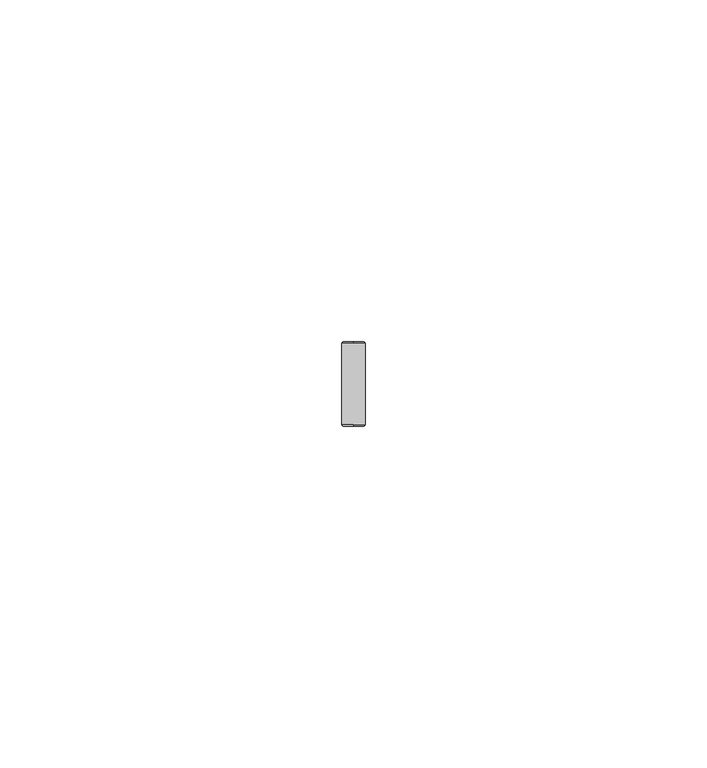
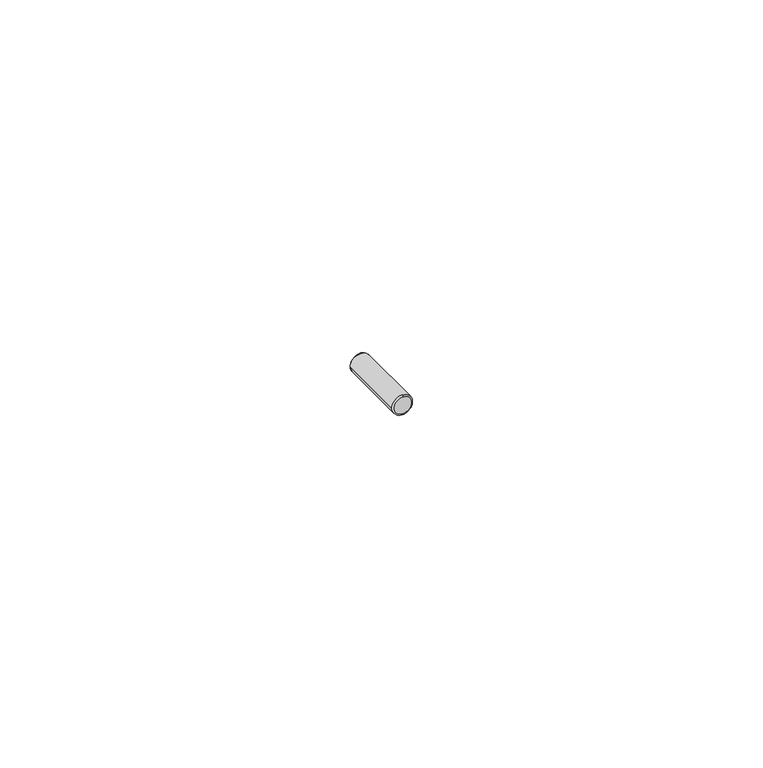
"""IFC4 building model written with IfcOpenShell, lengths in millimetres: proxy geometry."""

from ifc_helpers import new_model, si_unit, point, frame, origin, place, context, project, spatial, circle_curve, ellipse_curve, trimmed, source, transform, mapped, element, save
from ifc_brep_helpers import plane_surface, cylinder_surface, revolved_surface, advanced_brep


def generic_models_bd334131(model_context):
    return source(origin(), model_context, "Body", "AdvancedBrep", [
        advanced_brep(
        [(0.0, 0.2, -1.69), (0.0, 0.0, -1.49), (-1.49, 0.0, 0.0), (0.0, 0.0, 1.49), (0.0, 0.2, 1.69), (-1.69, 0.2, 0.0), (-1.69, 12.1, 0.0), (1.69, 0.2, 0.0), (1.69, 12.1, 0.0), (0.0, 12.1, 1.69), (0.0, 12.3, -1.49), (0.0, 12.1, -1.69), (0.0, 12.3, 1.49), (-1.49, 12.3, 0.0)],
        [
            (0, 1, circle_curve(frame((0.0, 0.2, -1.49), z_axis=(-1.0, 0.0, 0.0), x_axis=(0.0, 0.0, -1.0)), 0.2)),
            (1, 2, circle_curve(frame((0.0, 0.0, 0.0), z_axis=(0.0, 1.0, 0.0), x_axis=(0.0, 0.0, 1.0)), 1.49)),
            (2, 3, circle_curve(frame((0.0, 0.0, 0.0), z_axis=(0.0, 1.0, 0.0), x_axis=(0.0, 0.0, 1.0)), 1.49)),
            (3, 4, circle_curve(frame((0.0, 0.2, 1.49), z_axis=(-1.0, 0.0, 0.0), x_axis=(0.0, 0.0, 1.0)), 0.2)),
            (4, 5, circle_curve(frame((0.0, 0.2, 0.0), z_axis=(0.0, -1.0, 0.0), x_axis=(0.0, 0.0, 1.0)), 1.69)),
            (5, 0, circle_curve(frame((0.0, 0.2, 0.0), z_axis=(0.0, -1.0, 0.0), x_axis=(0.0, 0.0, 1.0)), 1.69)),
            (6, 5),
            (4, 7, circle_curve(frame((0.0, 0.2, 0.0), z_axis=(0.0, 1.0, 0.0), x_axis=(-1.0, 0.0, 0.0)), 1.69)),
            (7, 8),
            (8, 9, circle_curve(frame((0.0, 12.1, 0.0), z_axis=(0.0, -1.0, 0.0), x_axis=(-1.0, 0.0, 0.0)), 1.69)),
            (9, 6, circle_curve(frame((0.0, 12.1, 0.0), z_axis=(0.0, -1.0, 0.0), x_axis=(-1.0, 0.0, 0.0)), 1.69)),
            (10, 11, circle_curve(frame((0.0, 12.1, -1.49), z_axis=(-1.0, 0.0, 0.0), x_axis=(0.0, 0.0, -1.0)), 0.2)),
            (11, 6, circle_curve(frame((0.0, 12.1, 0.0), z_axis=(0.0, 1.0, 0.0), x_axis=(0.0, 0.0, 1.0)), 1.69)),
            (9, 12, circle_curve(frame((0.0, 12.1, 1.49), z_axis=(-1.0, 0.0, 0.0), x_axis=(0.0, 0.0, 1.0)), 0.2)),
            (12, 13, circle_curve(frame((0.0, 12.3, 0.0), z_axis=(0.0, -1.0, 0.0), x_axis=(0.0, 0.0, 1.0)), 1.49)),
            (13, 10, circle_curve(frame((0.0, 12.3, 0.0), z_axis=(0.0, -1.0, 0.0), x_axis=(0.0, 0.0, 1.0)), 1.49)),
            (10, 12, circle_curve(frame((0.0, 12.3, 0.0), z_axis=(0.0, -1.0, 0.0), x_axis=(0.0, 0.0, -1.0)), 1.49)),
            (8, 11, circle_curve(frame((0.0, 12.1, 0.0), z_axis=(0.0, 1.0, 0.0), x_axis=(0.0, 0.0, -1.0)), 1.69)),
            (7, 0, circle_curve(frame((0.0, 0.2, 0.0), z_axis=(0.0, 1.0, 0.0), x_axis=(-1.0, 0.0, 0.0)), 1.69)),
            (3, 1, circle_curve(frame((0.0, 0.0, 0.0), z_axis=(0.0, 1.0, 0.0), x_axis=(0.0, 0.0, -1.0)), 1.49)),
        ],
        [
            revolved_surface(trimmed(ellipse_curve(frame((0.0, 0.2, 1.49), z_axis=(1.0, 0.0, 0.0), x_axis=(0.0, 0.0, 1.0)), 0.2, 0.2), [point((0.0, 0.2, 1.69))], [point((0.0, 0.0, 1.49))], True, "CARTESIAN"), (0.0, 0.2, 0.0), (0.0, -1.0, 0.0)),
            cylinder_surface(frame((0.0, 6.15, 0.0), z_axis=(0.0, -1.0, 0.0), x_axis=(-1.0, 0.0, 0.0)), 1.69),
            revolved_surface(trimmed(ellipse_curve(frame((0.0, 12.1, 1.49), z_axis=(1.0, 0.0, 0.0), x_axis=(0.0, 0.0, 1.0)), 0.2, 0.2), [point((0.0, 12.3, 1.49))], [point((0.0, 12.1, 1.69))], True, "CARTESIAN"), (0.0, 12.1, 0.0), (0.0, -1.0, 0.0)),
            revolved_surface(trimmed(ellipse_curve(frame((0.0, 12.1, -1.49), z_axis=(-1.0, 0.0, 0.0), x_axis=(0.0, 0.0, -1.0)), 0.2, 0.2), [point((0.0, 12.3, -1.49))], [point((0.0, 12.1, -1.69))], True, "CARTESIAN"), (0.0, 12.1, 0.0), (0.0, -1.0, 0.0)),
            plane_surface(frame((-0.845, 12.3, 0.0), z_axis=(0.0, 1.0, 0.0), x_axis=(0.0, 0.0, 1.0))),
            revolved_surface(trimmed(ellipse_curve(frame((0.0, 0.2, -1.49), z_axis=(-1.0, 0.0, 0.0), x_axis=(0.0, 0.0, -1.0)), 0.2, 0.2), [point((0.0, 0.2, -1.69))], [point((0.0, 0.0, -1.49))], True, "CARTESIAN"), (0.0, 0.2, 0.0), (0.0, -1.0, 0.0)),
            plane_surface(frame((-0.845, 0.0, 0.0), z_axis=(0.0, -1.0, 0.0), x_axis=(0.0, 0.0, -1.0))),
        ],
        [
            (0, [[1, 2, 3, 4, 5, 6]]),
            (1, [[7, -5, 8, 9, 10, 11]]),
            (2, [[12, 13, -11, 14, 15, 16]]),
            (3, [[-12, 17, -14, -10, 18]]),
            (1, [[-7, -13, -18, -9, 19, -6]]),
            (4, [[-16, -15, -17]]),
            (5, [[-1, -19, -8, -4, 20]]),
            (6, [[-3, -2, -20]]),
        ],
    ),
    ])


if __name__ == "__main__":
    model = new_model("IFC4")
    model_context = context("Model", 3, world=origin())
    ifc_project = project(units=[si_unit("LENGTHUNIT", "METRE", prefix="MILLI")], contexts=[model_context])
    site = spatial("IfcSite", under=ifc_project)
    building = spatial("IfcBuilding", under=site)
    placement = place(None, origin())
    generic_models_shape = generic_models_bd334131(model_context)
    element("IfcBuildingElementProxy", 1, Name="Generic Models", at=placement, inside=building, context=model_context, shape_type="MappedRepresentation", body=[
        mapped(generic_models_shape, transform((0.0, 0.0, 0.0), x_axis=(1.0, 0.0, 0.0), y_axis=(0.0, 1.0, 0.0), z_axis=(0.0, 0.0, 1.0))),
    ])
    save(model, "model.ifc")
